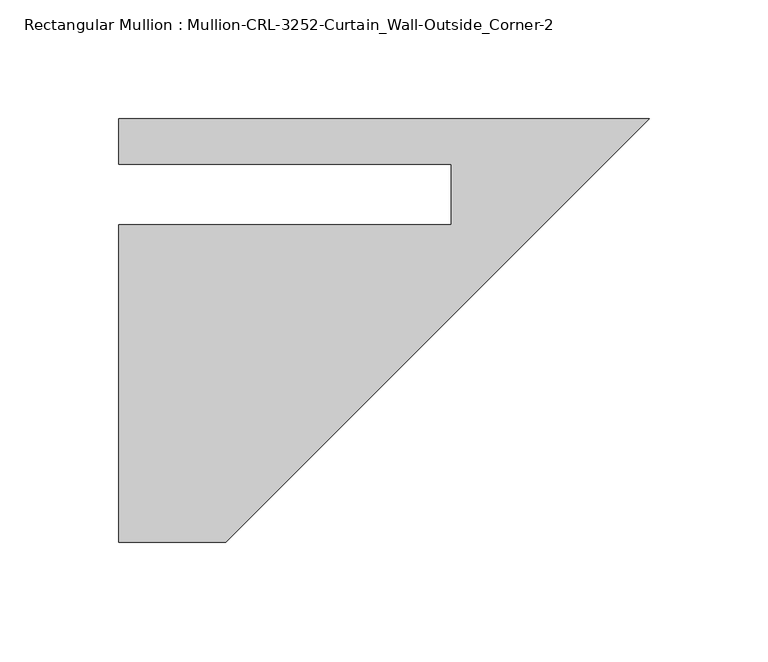
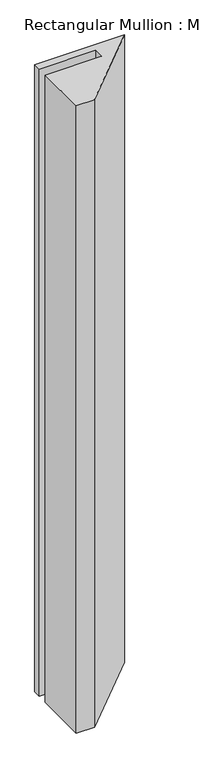
"""IFC4 building model written with IfcOpenShell, lengths in millimetres: member geometry, Rectangular Mullion : Mullion-CRL-3252-Curtain_Wall-Outside_Corner-2."""

from ifc_helpers import new_model, si_unit, frame, origin, place, context, project, spatial, polyline, outline, extrude, source, transform, mapped, element, save


def rectangular_mullion_mullion_crl_3252_curtain_wall_outside_e4a71400(model_context):
    return source(origin(), model_context, "Body", "SweptSolid", [
        extrude(outline(polyline([(0.0, 31.794609), (-177.8, -146.005391), (-222.7460938, -146.005391), (-222.7460938, -12.7), (-83.0677478, -12.7), (-83.0677478, 12.7), (-222.7460938, 12.7), (-222.7460938, 31.794609), (0.0, 31.794609)])), frame((0.0, 0.0, -1642.0703125), z_axis=(0.0, 0.0, 1.0), x_axis=(1.0, 0.0, 0.0)), (0.0, 0.0, 1.0), 1642.0703125),
    ])


if __name__ == "__main__":
    model = new_model("IFC4")
    model_context = context("Model", 3, world=origin())
    ifc_project = project(units=[si_unit("LENGTHUNIT", "METRE", prefix="MILLI")], contexts=[model_context])
    site = spatial("IfcSite", under=ifc_project)
    building = spatial("IfcBuilding", under=site)
    placement = place(None, origin())
    rectangular_mullion_mullion_crl_3252_curtain_wall_outside_shape = rectangular_mullion_mullion_crl_3252_curtain_wall_outside_e4a71400(model_context)
    element("IfcMember", 1, ObjectType="Rectangular Mullion : Mullion-CRL-3252-Curtain_Wall-Outside_Corner-2", at=placement, inside=building, context=model_context, shape_type="MappedRepresentation", body=[
        mapped(rectangular_mullion_mullion_crl_3252_curtain_wall_outside_shape, transform((0.0, 0.0, 0.0), x_axis=(1.0, 0.0, 0.0), y_axis=(0.0, 1.0, 0.0), z_axis=(0.0, 0.0, 1.0))),
    ])
    save(model, "model.ifc")
